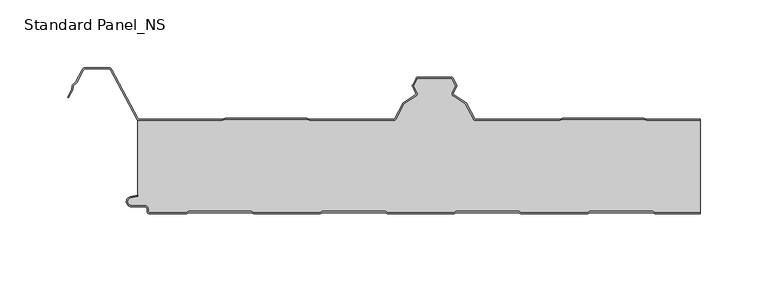
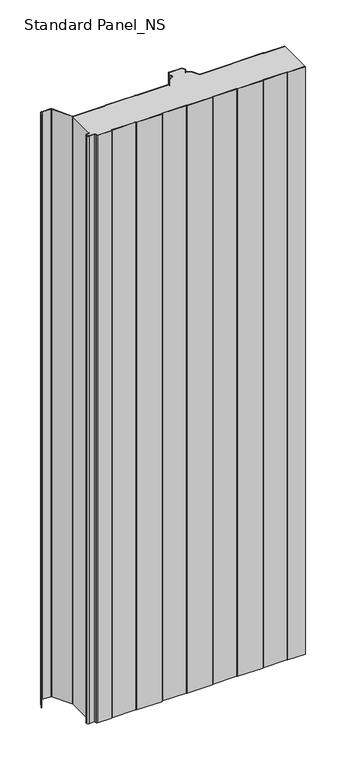
"""IFC4 building model written with IfcOpenShell, lengths in millimetres: proxy geometry, Standard Panel_NS."""

from ifc_helpers import new_model, si_unit, point, frame_2d, origin, origin_with_axes, place, context, project, spatial, polyline, circle_curve, trimmed, segment, composite_curve, outline, extrude, source, transform, mapped, element, save


def standard_panel_ns_7ca5ab7a(model_context):
    return source(origin(), model_context, "Body", "SweptSolid", [
        extrude(outline(composite_curve([segment(polyline([(189.9831604, 0.0), (188.2086589, 1.0), (142.2089551, 1.0), (140.4769043, 0.0), (90.9831604, 0.0), (89.2086589, 1.0), (43.2089551, 1.0), (41.4769043, 0.0), (-8.0230957, 0.0), (-9.7551465, 1.0), (-55.7910449, 1.0), (-57.5230957, -0.013703), (-107.0168396, -0.013703), (-108.7913411, 0.986297), (-154.7910449, 0.986297), (-156.5230957, -0.013703), (-183.7507504, -0.013703)]), True, "CONTINUOUS"), segment(trimmed(circle_curve(frame_2d((-183.7507504, 2.036297)), 2.05), [point((-183.7507504, -0.013703))], [point((-185.8007504, 2.036297))], False, "CARTESIAN"), True, "CONTINUOUS"), segment(polyline([(-185.8007504, 2.036297), (-185.8007504, 3.436297)]), True, "CONTINUOUS"), segment(trimmed(circle_curve(frame_2d((-187.7507504, 3.436297)), 1.95), [point((-185.8007504, 3.436297))], [point((-187.7507504, 5.386297))], True, "CARTESIAN"), True, "CONTINUOUS"), segment(polyline([(-187.7507504, 5.386297), (-197.5507504, 5.386297)]), True, "CONTINUOUS"), segment(trimmed(circle_curve(frame_2d((-197.5507504, 9.036297)), 3.65), [point((-197.5507504, 5.386297))], [point((-198.3718217, 12.5927478))], False, "CARTESIAN"), True, "CONTINUOUS"), segment(polyline([(-198.3718217, 12.5927478), (-192.9286061, 13.8494131), (-192.7486452, 13.0699171), (-198.1918609, 11.8132517)]), True, "CONTINUOUS"), segment(trimmed(circle_curve(frame_2d((-197.5507504, 9.036297)), 2.85), [point((-198.1918609, 11.8132517))], [point((-197.5507504, 6.186297))], True, "CARTESIAN"), True, "CONTINUOUS"), segment(polyline([(-197.5507504, 6.186297), (-187.7507504, 6.186297)]), True, "CONTINUOUS"), segment(trimmed(circle_curve(frame_2d((-187.7507504, 3.436297)), 2.75), [point((-187.7507504, 6.186297))], [point((-185.0007504, 3.436297))], False, "CARTESIAN"), True, "CONTINUOUS"), segment(polyline([(-185.0007504, 3.436297), (-185.0007504, 2.036297)]), True, "CONTINUOUS"), segment(trimmed(circle_curve(frame_2d((-183.7507504, 2.036297)), 1.25), [point((-185.0007504, 2.036297))], [point((-183.7507504, 0.786297))], True, "CARTESIAN"), True, "CONTINUOUS"), segment(polyline([(-183.7507504, 0.786297), (-156.737455, 0.786297), (-155.0054042, 1.786297), (-108.5814431, 1.786297), (-106.8069416, 0.786297), (-57.737455, 0.786297), (-56.0054042, 1.8), (-9.5407871, 1.8), (-7.8087363, 0.8), (41.262545, 0.8), (42.9945958, 1.8), (89.4185569, 1.8), (91.1930584, 0.8), (140.262545, 0.8), (141.9945958, 1.8), (188.4185569, 1.8), (190.1930584, 0.8), (223.9042607, 0.8), (223.9042607, 0.0), (189.9831604, 0.0)]), True, "CONTINUOUS")], self_intersect=False)), origin_with_axes(), (0.0, 0.0, 1.0), 1219.2),
        extrude(outline(composite_curve([segment(polyline([(-191.3607504, 70.0), (-130.2226037, 70.0), (-127.8409703, 70.9683897), (-67.7367801, 70.9683897), (-65.3551468, 70.0), (-3.3730141, 70.0)]), True, "CONTINUOUS"), segment(trimmed(circle_curve(frame_2d((-3.3750906, 70.9999978)), 1.0), [point((-3.3730141, 70.0))], [point((-2.4921477, 70.5305175))], True, "CARTESIAN"), True, "CONTINUOUS"), segment(polyline([(-2.4921477, 70.5305175), (3.7317189, 82.2356263), (12.8940779, 88.0365524)]), True, "CONTINUOUS"), segment(trimmed(circle_curve(frame_2d((12.3591509, 88.8814507)), 1.0), [point((12.8940779, 88.0365524))], [point((13.2530523, 89.3297144))], True, "CARTESIAN"), True, "CONTINUOUS"), segment(polyline([(13.2530523, 89.3297144), (10.7022883, 94.4163001)]), True, "CONTINUOUS"), segment(trimmed(circle_curve(frame_2d((11.5961897, 94.8645637)), 1.0), [point((10.7022883, 94.4163001))], [point((10.7132468, 95.3340441))], False, "CARTESIAN"), True, "CONTINUOUS"), segment(polyline([(10.7132468, 95.3340441), (13.4449029, 100.4714183)]), True, "CONTINUOUS"), segment(trimmed(circle_curve(frame_2d((14.7693172, 99.7671978)), 1.5), [point((13.4449029, 100.4714183))], [point((14.7964212, 101.2669529))], False, "CARTESIAN"), True, "CONTINUOUS"), segment(polyline([(14.7964212, 101.2669529), (39.4219504, 101.2669529)]), True, "CONTINUOUS"), segment(trimmed(circle_curve(frame_2d((39.4219504, 99.7669529)), 1.5), [point((39.4219504, 101.2669529))], [point((40.7463788, 100.4711471))], False, "CARTESIAN"), True, "CONTINUOUS"), segment(polyline([(40.7463788, 100.4711471), (43.4835237, 95.3232034)]), True, "CONTINUOUS"), segment(trimmed(circle_curve(frame_2d((42.6005714, 94.8537406)), 1.0), [point((43.4835237, 95.3232034))], [point((43.4944639, 94.4054592))], False, "CARTESIAN"), True, "CONTINUOUS"), segment(polyline([(43.4944639, 94.4054592), (40.9489617, 89.329618)]), True, "CONTINUOUS"), segment(trimmed(circle_curve(frame_2d((41.8428542, 88.8813366)), 1.0), [point((40.9489617, 89.329618))], [point((41.3079104, 88.0364489))], True, "CARTESIAN"), True, "CONTINUOUS"), segment(polyline([(41.3079104, 88.0364489), (50.4534972, 82.2458871), (56.6825853, 70.5303966)]), True, "CONTINUOUS"), segment(trimmed(circle_curve(frame_2d((57.5653038, 70.9997352)), 0.9997353), [point((56.6825853, 70.5303966))], [point((57.5653038, 69.9999999))], True, "CARTESIAN"), True, "CONTINUOUS"), segment(polyline([(57.5653038, 69.9999999), (119.546444, 69.9999999), (121.9280844, 70.9683897), (182.032274, 70.9683897), (184.4139138, 70.0), (223.9042607, 70.0), (223.9042607, 69.2), (184.2574895, 69.2), (181.8758496, 70.1683897), (122.0845088, 70.1683897), (119.7028683, 69.2), (57.5653038, 69.2)]), True, "CONTINUOUS"), segment(trimmed(circle_curve(frame_2d((57.5653038, 70.9997352)), 1.7997352), [point((57.5653038, 69.2))], [point((55.9762236, 70.1548264))], False, "CARTESIAN"), True, "CONTINUOUS"), segment(polyline([(55.9762236, 70.1548264), (49.8465774, 81.6832892), (40.8799555, 87.3605387)]), True, "CONTINUOUS"), segment(trimmed(circle_curve(frame_2d((41.8428542, 88.8813366)), 1.8), [point((40.8799555, 87.3605387))], [point((40.2338477, 89.6882431))], False, "CARTESIAN"), True, "CONTINUOUS"), segment(polyline([(40.2338477, 89.6882431), (42.8256576, 94.8564238), (39.8425575, 100.4669529), (14.3485893, 100.4669529), (11.3711036, 94.8672514), (13.9681734, 89.6883253)]), True, "CONTINUOUS"), segment(trimmed(circle_curve(frame_2d((12.3591509, 88.8814507)), 1.8), [point((13.9681734, 89.6883253))], [point((13.3220194, 87.3606338))], False, "CARTESIAN"), True, "CONTINUOUS"), segment(polyline([(13.3220194, 87.3606338), (4.3386275, 81.6730163), (-1.7857934, 70.1549332)]), True, "CONTINUOUS"), segment(trimmed(circle_curve(frame_2d((-3.3750906, 70.9999978)), 1.8), [point((-1.7857934, 70.1549332))], [point((-3.3723047, 69.2))], False, "CARTESIAN"), True, "CONTINUOUS"), segment(polyline([(-3.3723047, 69.2), (-65.5115715, 69.2), (-67.8932049, 70.1683897), (-127.6845456, 70.1683897), (-130.0661789, 69.2), (-191.3607504, 69.2)]), True, "CONTINUOUS"), segment(trimmed(circle_curve(frame_2d((-191.3607504, 71.75)), 2.55), [point((-191.3607504, 69.2))], [point((-193.6122667, 70.5528475))], False, "CARTESIAN"), True, "CONTINUOUS"), segment(polyline([(-193.6122667, 70.5528475), (-212.7155013, 106.4808064)]), True, "CONTINUOUS"), segment(trimmed(circle_curve(frame_2d((-214.5255439, 105.5183897)), 2.05), [point((-212.7155013, 106.4808064))], [point((-214.5255439, 107.5683897))], True, "CARTESIAN"), True, "CONTINUOUS"), segment(polyline([(-214.5255439, 107.5683897), (-231.2663514, 107.5683897)]), True, "CONTINUOUS"), segment(trimmed(circle_curve(frame_2d((-231.2663514, 105.5183897)), 2.05), [point((-231.2663514, 107.5683897))], [point((-233.076394, 106.4808064))], True, "CARTESIAN"), True, "CONTINUOUS"), segment(polyline([(-233.076394, 106.4808064), (-238.0216911, 97.1800551), (-240.3428004, 94.9723908), (-240.9163332, 91.7360251), (-244.0441824, 85.8533964), (-244.7505404, 86.2289737), (-241.6820111, 92.000038), (-241.084649, 95.3708693), (-238.6671014, 97.6702585), (-233.782752, 106.8563836)]), True, "CONTINUOUS"), segment(trimmed(circle_curve(frame_2d((-231.2663514, 105.5183897)), 2.85), [point((-233.782752, 106.8563836))], [point((-231.2663514, 108.3683897))], False, "CARTESIAN"), True, "CONTINUOUS"), segment(polyline([(-231.2663514, 108.3683897), (-214.5255439, 108.3683897)]), True, "CONTINUOUS"), segment(trimmed(circle_curve(frame_2d((-214.5255439, 105.5183897)), 2.85), [point((-214.5255439, 108.3683897))], [point((-212.0091432, 106.8563836))], False, "CARTESIAN"), True, "CONTINUOUS"), segment(polyline([(-212.0091432, 106.8563836), (-192.9059087, 70.9284248)]), True, "CONTINUOUS"), segment(trimmed(circle_curve(frame_2d((-191.3607504, 71.75)), 1.75), [point((-192.9059087, 70.9284248))], [point((-191.3607504, 70.0))], True, "CARTESIAN"), True, "CONTINUOUS")], self_intersect=False)), origin_with_axes(), (0.0, 0.0, 1.0), 1219.2),
        extrude(outline(composite_curve([segment(polyline([(-191.3607504, 69.2), (-130.0661789, 69.2), (-127.6845456, 70.1683897), (-67.8932049, 70.1683897), (-65.5115715, 69.2), (-3.3723047, 69.2)]), True, "CONTINUOUS"), segment(trimmed(circle_curve(frame_2d((-3.3750906, 70.9999978)), 1.8), [point((-3.3723047, 69.2))], [point((-1.7857934, 70.1549332))], True, "CARTESIAN"), True, "CONTINUOUS"), segment(polyline([(-1.7857934, 70.1549332), (4.3386275, 81.6730163), (13.3220194, 87.3606338)]), True, "CONTINUOUS"), segment(trimmed(circle_curve(frame_2d((12.3591509, 88.8814507)), 1.8), [point((13.3220194, 87.3606338))], [point((13.9681734, 89.6883253))], True, "CARTESIAN"), True, "CONTINUOUS"), segment(polyline([(13.9681734, 89.6883253), (11.3711036, 94.8672514), (14.3485893, 100.4669529), (39.8425575, 100.4669529), (42.8256576, 94.8564238), (40.2338477, 89.6882431)]), True, "CONTINUOUS"), segment(trimmed(circle_curve(frame_2d((41.8428542, 88.8813366)), 1.8), [point((40.2338477, 89.6882431))], [point((40.8799555, 87.3605387))], True, "CARTESIAN"), True, "CONTINUOUS"), segment(polyline([(40.8799555, 87.3605387), (49.8465774, 81.6832892), (55.9762236, 70.1548264)]), True, "CONTINUOUS"), segment(trimmed(circle_curve(frame_2d((57.5653038, 70.9997352)), 1.7997352), [point((55.9762236, 70.1548264))], [point((57.5653038, 69.2))], True, "CARTESIAN"), True, "CONTINUOUS"), segment(polyline([(57.5653038, 69.2), (119.7028683, 69.2), (122.0845088, 70.1683897), (181.8758496, 70.1683897), (184.2574895, 69.2), (223.9042607, 69.2), (223.9042607, 0.8), (190.1930584, 0.8), (188.4185569, 1.8), (141.9945958, 1.8), (140.262545, 0.8), (91.1930584, 0.8), (89.4185569, 1.8), (42.9945958, 1.8), (41.262545, 0.8), (-7.8087363, 0.8), (-9.5407871, 1.8), (-56.0054042, 1.8), (-57.737455, 0.786297), (-106.8069416, 0.786297), (-108.5814431, 1.786297), (-155.0054042, 1.786297), (-156.737455, 0.786297), (-183.7507504, 0.786297)]), True, "CONTINUOUS"), segment(trimmed(circle_curve(frame_2d((-183.7507504, 2.036297)), 1.25), [point((-183.7507504, 0.786297))], [point((-185.0007504, 2.036297))], False, "CARTESIAN"), True, "CONTINUOUS"), segment(polyline([(-185.0007504, 2.036297), (-185.0007504, 3.436297)]), True, "CONTINUOUS"), segment(trimmed(circle_curve(frame_2d((-187.7507504, 3.436297)), 2.75), [point((-185.0007504, 3.436297))], [point((-187.7507504, 6.186297))], True, "CARTESIAN"), True, "CONTINUOUS"), segment(polyline([(-187.7507504, 6.186297), (-197.5507504, 6.186297)]), True, "CONTINUOUS"), segment(trimmed(circle_curve(frame_2d((-197.5507504, 9.036297)), 2.85), [point((-197.5507504, 6.186297))], [point((-198.1918609, 11.8132517))], False, "CARTESIAN"), True, "CONTINUOUS"), segment(polyline([(-198.1918609, 11.8132517), (-192.7486452, 13.0699171), (-192.7486452, 69.6107833)]), True, "CONTINUOUS"), segment(trimmed(circle_curve(frame_2d((-191.3607504, 71.75)), 2.55), [point((-192.7486452, 69.6107833))], [point((-191.3607504, 69.2))], True, "CARTESIAN"), True, "CONTINUOUS")], self_intersect=False)), origin_with_axes(), (0.0, 0.0, 1.0), 1219.2),
    ])


if __name__ == "__main__":
    model = new_model("IFC4")
    model_context = context("Model", 3, world=origin())
    ifc_project = project(units=[si_unit("LENGTHUNIT", "METRE", prefix="MILLI")], contexts=[model_context])
    site = spatial("IfcSite", under=ifc_project)
    building = spatial("IfcBuilding", under=site)
    placement = place(None, origin())
    standard_panel_ns_shape = standard_panel_ns_7ca5ab7a(model_context)
    element("IfcBuildingElementProxy", 1, Name="Standard Panel_NS", ObjectType="Standard Panel_NS", at=placement, inside=building, context=model_context, shape_type="MappedRepresentation", body=[
        mapped(standard_panel_ns_shape, transform((0.0, 0.0, 0.0), x_axis=(1.0, 0.0, 0.0), y_axis=(0.0, 1.0, 0.0), z_axis=(0.0, 0.0, 1.0))),
    ])
    save(model, "model.ifc")
